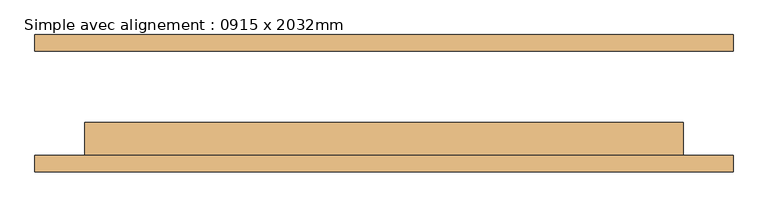
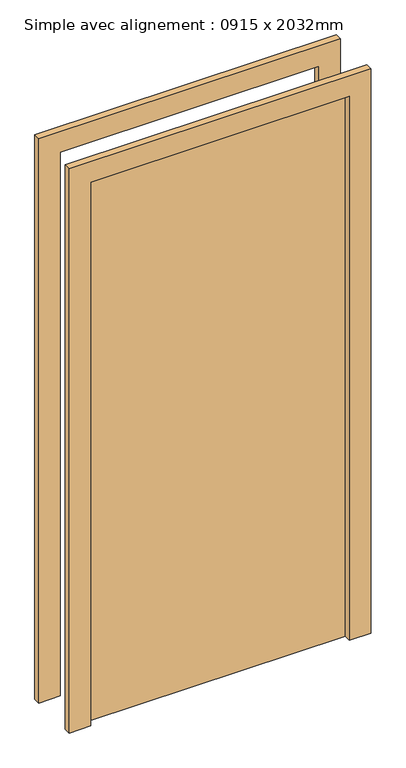
"""IFC4 building model written with IfcOpenShell, lengths in millimetres: door geometry, Simple avec alignement : 0915 x 2032mm."""

import ifcopenshell
import ifcopenshell.guid

model = None  # the IFC model being written
_history = None  # IfcOwnerHistory: only IFC2X3 demands one
_inside = {}  # id of a spatial element -> (the spatial element, [elements in it])
_under = {}  # id of a project, library or spatial element -> (it, [spatial elements below it])
_declared = {}  # id of a project -> (the project, [libraries it declares])
_typed = {}  # id of a type object -> (the type object, [elements of that type])
_made_of = {}  # id of a material, layer set ... -> (it, [elements and type objects made of it])


def new_model(schema):
    """Start an empty IFC model of exactly this schema.

    Asked for "IFC4X3", IfcOpenShell would pick the latest addendum, in which some entities
    have other attributes; the version numbers below select the first issue.
    IFC2X3 requires an IfcOwnerHistory on every rooted entity: one is made here for all.
    """
    global model, _history
    if schema == "IFC4X3":
        model = ifcopenshell.file(schema_version=(4, 3, 0, 0))
    else:
        model = ifcopenshell.file(schema=schema)
    _inside.clear()
    _under.clear()
    _declared.clear()
    _typed.clear()
    _made_of.clear()
    _history = None
    if model.schema == "IFC2X3":
        org = make("IfcOrganization", Name="unknown")
        user = make(
            "IfcPersonAndOrganization",
            ThePerson=make("IfcPerson", FamilyName="unknown"),
            TheOrganization=org,
        )
        app = make(
            "IfcApplication",
            ApplicationDeveloper=org,
            Version="unknown",
            ApplicationFullName="unknown",
            ApplicationIdentifier="unknown",
        )
        _history = make(
            "IfcOwnerHistory",
            OwningUser=user,
            OwningApplication=app,
            ChangeAction="ADDED",
            CreationDate=0,
        )
    return model


def make(cls, **values):
    """One entity of the class cls with the attributes given. An attribute that is None is left unset."""
    return model.create_entity(
        cls, **{name: value for name, value in values.items() if value is not None}
    )


def rooted(cls, **values):
    """An entity with a GlobalId (a new one), such as an element, a storey or a relation."""
    return make(cls, GlobalId=ifcopenshell.guid.new(), OwnerHistory=_history, **values)


def si_unit(unit_type, name, prefix=None):
    """IfcSIUnit, for example si_unit("LENGTHUNIT", "METRE", prefix="MILLI")."""
    return make("IfcSIUnit", UnitType=unit_type, Prefix=prefix, Name=name)


def assignment(units):
    """IfcUnitAssignment: the units of a project."""
    return None if units is None else make("IfcUnitAssignment", Units=units)


def point(xyz):
    """IfcCartesianPoint."""
    return None if xyz is None else make("IfcCartesianPoint", Coordinates=xyz)


def direction(xyz):
    """IfcDirection."""
    return None if xyz is None else make("IfcDirection", DirectionRatios=xyz)


def frame(location, z_axis=None, x_axis=None):
    """IfcAxis2Placement3D, a coordinate frame: its origin and axes. An axis left out is left unset."""
    return make(
        "IfcAxis2Placement3D",
        Location=point(location),
        Axis=direction(z_axis),
        RefDirection=direction(x_axis),
    )


def origin():
    """The frame at (0, 0, 0) with its axes left unset."""
    return frame((0.0, 0.0, 0.0))


def origin_with_axes():
    """The frame at (0, 0, 0) with the z axis (0, 0, 1) and the x axis (1, 0, 0) written out."""
    return frame((0.0, 0.0, 0.0), z_axis=(0.0, 0.0, 1.0), x_axis=(1.0, 0.0, 0.0))


def place(relative_to, where):
    """IfcLocalPlacement: puts the frame where relative to a parent placement (None: the world)."""
    return make(
        "IfcLocalPlacement", PlacementRelTo=relative_to, RelativePlacement=where
    )


def context(
    kind, dimensions, precision=None, world=None, true_north=None, identifier=None
):
    """IfcGeometricRepresentationContext, for example the 3D "Model" context."""
    return make(
        "IfcGeometricRepresentationContext",
        ContextIdentifier=identifier,
        ContextType=kind,
        CoordinateSpaceDimension=dimensions,
        Precision=precision,
        WorldCoordinateSystem=world,
        TrueNorth=true_north,
    )


def project(units=None, contexts=None):
    """IfcProject with its units and contexts."""
    return rooted(
        "IfcProject",
        Name="project",
        RepresentationContexts=contexts,
        UnitsInContext=assignment(units),
    )


def spatial(cls, under=None, at=None, **own):
    """A site, building, storey or space (cls), placed at a placement, below another one or the project."""
    s = rooted(cls, ObjectPlacement=at, **own)
    if under is not None:
        _under.setdefault(under.id(), (under, []))[1].append(s)
    return s


def polyline(points):
    """IfcPolyline through the points."""
    return make("IfcPolyline", Points=[point(p) for p in points])


def outline(outer, holes=None, kind="AREA"):
    """IfcArbitraryClosedProfileDef: a profile drawn as a closed curve; with holes, ...WithVoids."""
    if holes is None:
        return make("IfcArbitraryClosedProfileDef", ProfileType=kind, OuterCurve=outer)
    return make(
        "IfcArbitraryProfileDefWithVoids",
        ProfileType=kind,
        OuterCurve=outer,
        InnerCurves=holes,
    )


def extrude(swept, where, along, depth):
    """IfcExtrudedAreaSolid: the profile swept, set in the frame where, extruded along a direction by depth."""
    return make(
        "IfcExtrudedAreaSolid",
        SweptArea=swept,
        Position=where,
        ExtrudedDirection=direction(along),
        Depth=depth,
    )


def shape(context_of_items, identifier, shape_type, items):
    """IfcShapeRepresentation: the items that make up one representation, for example the "Body"."""
    return make(
        "IfcShapeRepresentation",
        ContextOfItems=context_of_items,
        RepresentationIdentifier=identifier,
        RepresentationType=shape_type,
        Items=items,
    )


def source(mapping_origin, context_of_items, identifier, shape_type, items):
    """IfcRepresentationMap: a shape defined once, which mapped items show again and again."""
    return make(
        "IfcRepresentationMap",
        MappingOrigin=mapping_origin,
        MappedRepresentation=shape(context_of_items, identifier, shape_type, items),
    )


def transform(
    local_origin,
    x_axis=None,
    y_axis=None,
    z_axis=None,
    scale=None,
    scale2=None,
    scale3=None,
    uniform=True,
):
    """IfcCartesianTransformationOperator3D, or its non-uniform kind. x_axis, y_axis, z_axis: its Axis1, 2, 3."""
    if uniform:
        return make(
            "IfcCartesianTransformationOperator3D",
            Axis1=direction(x_axis),
            Axis2=direction(y_axis),
            LocalOrigin=point(local_origin),
            Scale=scale,
            Axis3=direction(z_axis),
        )
    return make(
        "IfcCartesianTransformationOperator3DnonUniform",
        Axis1=direction(x_axis),
        Axis2=direction(y_axis),
        LocalOrigin=point(local_origin),
        Scale=scale,
        Axis3=direction(z_axis),
        Scale2=scale2,
        Scale3=scale3,
    )


def mapped(mapping_source, mapping_target):
    """IfcMappedItem: shows the shape of a source again, moved by a transform."""
    return make(
        "IfcMappedItem", MappingSource=mapping_source, MappingTarget=mapping_target
    )


def made_of(thing, what):
    """Note that an element or type object is made of a material, layer set ...; save() writes the relation."""
    if what is not None:
        _made_of.setdefault(what.id(), (what, []))[1].append(thing)
    return thing


def element(
    cls,
    number,
    at=None,
    inside=None,
    cuts=None,
    type_object=None,
    material=None,
    context=None,
    identifier="Body",
    shape_type=None,
    held_by="IfcProductDefinitionShape",
    body=None,
    shapes=None,
    **own,
):
    """One element of the class cls, such as IfcWall. Its Tag is "e" and its number.

    at: its placement. inside: the storey or other place that contains it. cuts: it is an
    opening in that element (IfcRelVoidsElement). A single representation is given by context,
    identifier, shape_type and body (its items); several are given by shapes. held_by: the class
    of the entity that holds the representations. save() writes the other relations.
    """
    e = rooted(cls, Tag="e%d" % number, ObjectPlacement=at, **own)
    if body is not None:
        shapes = [shape(context, identifier, shape_type, body)]
    if shapes is not None:
        e.Representation = make(held_by, Representations=shapes)
    if inside is not None:
        _inside.setdefault(inside.id(), (inside, []))[1].append(e)
    if cuts is not None:
        rooted(
            "IfcRelVoidsElement", RelatingBuildingElement=cuts, RelatedOpeningElement=e
        )
    if type_object is not None:
        _typed.setdefault(type_object.id(), (type_object, []))[1].append(e)
    return made_of(e, material)


def aggregate(whole, parts):
    """IfcRelAggregates: a whole, such as a stair, and the parts it consists of."""
    return rooted("IfcRelAggregates", RelatingObject=whole, RelatedObjects=parts)


def save(model, path):
    """Write the relations noted so far, then the file.

    IfcRelAggregates (storeys below a building ...), IfcRelContainedInSpatialStructure (elements
    in a storey), IfcRelDefinesByType, IfcRelAssociatesMaterial and IfcRelDeclares: one each for
    every whole, place, type object, material and project.
    """
    for whole, parts in _under.values():
        aggregate(whole, parts)
    for where, things in _inside.values():
        rooted(
            "IfcRelContainedInSpatialStructure",
            RelatedElements=things,
            RelatingStructure=where,
        )
    for kind, things in _typed.values():
        rooted("IfcRelDefinesByType", RelatedObjects=things, RelatingType=kind)
    for what, things in _made_of.values():
        rooted("IfcRelAssociatesMaterial", RelatedObjects=things, RelatingMaterial=what)
    for by, libraries in _declared.values():
        rooted("IfcRelDeclares", RelatingContext=by, RelatedDefinitions=libraries)
    model.write(path)


def simple_avec_alignement_0915_x_2032mm_fee6b314(model_context):
    return source(origin(), model_context, "Body", "SweptSolid", [
        extrude(outline(polyline([(2108.0, -533.5), (0.0, -533.5), (0.0, -457.5), (2032.0, -457.5), (2032.0, 457.5), (0.0, 457.5), (0.0, 533.5), (2108.0, 533.5), (2108.0, -533.5)])), frame((0.0, -105.0, 0.0), z_axis=(0.0, 1.0, 0.0), x_axis=(0.0, 0.0, 1.0)), (0.0, 0.0, 1.0), 25.0),
        extrude(outline(polyline([(2108.0, 533.5), (2108.0, -533.5), (0.0, -533.5), (0.0, -457.5), (2032.0, -457.5), (2032.0, 457.5), (0.0, 457.5), (0.0, 533.5), (2108.0, 533.5)])), frame((0.0, 80.0, 0.0), z_axis=(0.0, 1.0, 0.0), x_axis=(0.0, 0.0, 1.0)), (0.0, 0.0, 1.0), 25.0),
        extrude(outline(polyline([(457.5, -29.0), (457.5, -80.0), (-457.5, -80.0), (-457.5, -29.0), (457.5, -29.0)])), origin_with_axes(), (0.0, 0.0, 1.0), 2032.0),
    ])


if __name__ == "__main__":
    model = new_model("IFC4")
    model_context = context("Model", 3, world=origin())
    ifc_project = project(units=[si_unit("LENGTHUNIT", "METRE", prefix="MILLI")], contexts=[model_context])
    site = spatial("IfcSite", under=ifc_project)
    building = spatial("IfcBuilding", under=site)
    placement = place(None, origin())
    simple_avec_alignement_0915_x_2032mm_shape = simple_avec_alignement_0915_x_2032mm_fee6b314(model_context)
    element("IfcDoor", 1, ObjectType="Simple avec alignement : 0915 x 2032mm", at=placement, inside=building, context=model_context, shape_type="MappedRepresentation", body=[
        mapped(simple_avec_alignement_0915_x_2032mm_shape, transform((0.0, 0.0, 0.0), x_axis=(1.0, 0.0, 0.0), y_axis=(0.0, 1.0, 0.0), z_axis=(0.0, 0.0, 1.0))),
    ])
    save(model, "model.ifc")
